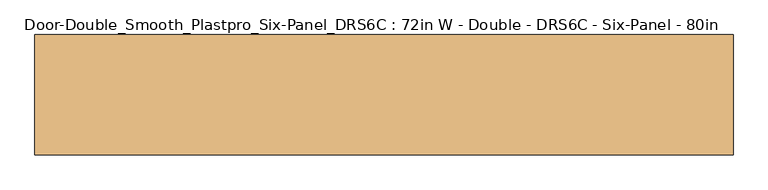
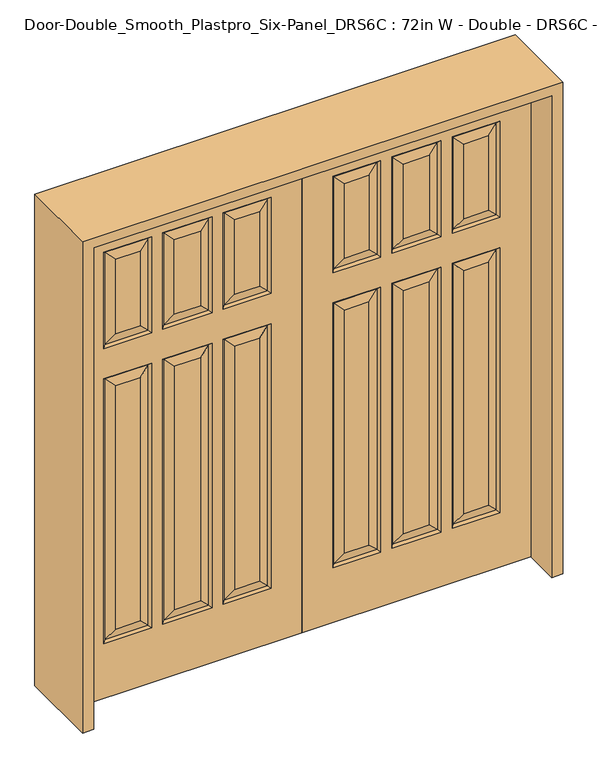
"""IFC4 building model written with IfcOpenShell, lengths in millimetres: door geometry, Door-Double_Smooth_Plastpro_Six-Panel_DRS6C : 72in W - Double - DRS6C - Six-Panel - 80in."""

from ifc_helpers import new_model, si_unit, frame, origin, place, context, project, spatial, polyline, outline, extrude, faceted_brep, source, transform, mapped, element, save


def door_double_smooth_plastpro_six_panel_drs6c_72in_w_double_656393d3(model_context):
    return source(origin(), model_context, "Body", "SolidModel", [
        faceted_brep([(305.3447439, 11.6572439, 1338.7080251), (305.3447439, 11.6572439, 239.0685374), (268.2875, 20.6375, 276.1257812), (268.2875, 20.6375, 1301.6507812), (790.575, 20.6375, 230.0882812), (600.075, 20.6375, 230.0882812), (609.0552561, 11.6572439, 239.0685374), (781.5947439, 11.6572439, 239.0685374), (609.0552561, 11.6572439, 1338.7080251), (600.075, 20.6375, 1347.6882812), (555.625, 20.6375, 230.0882812), (358.775, 20.6375, 230.0882812), (367.7552561, 11.6572439, 239.0685374), (546.6447439, 11.6572439, 239.0685374), (367.7552561, 11.6572439, 1338.7080251), (358.775, 20.6375, 1347.6882812), (404.8125, 20.6375, 276.1257812), (509.5875, 20.6375, 276.1257812), (546.6447439, 11.6572439, 1338.7080251), (509.5875, 20.6375, 1301.6507812), (790.575, -20.6375, 230.0882812), (790.575, -20.6375, 1347.6882812), (781.5947439, -11.6572439, 1338.7080251), (781.5947439, -11.6572439, 239.0685374), (609.0552561, -11.6572439, 239.0685374), (609.0552561, -11.6572439, 1338.7080251), (600.075, -20.6375, 1347.6882812), (600.075, -20.6375, 230.0882812), (132.8052561, -11.6572439, 239.0685374), (123.825, -20.6375, 230.0882812), (314.325, -20.6375, 230.0882812), (305.3447439, -11.6572439, 239.0685374), (268.2875, -20.6375, 276.1257812), (169.8625, -20.6375, 276.1257812), (305.3447439, -11.6572439, 1338.7080251), (268.2875, -20.6375, 1301.6507812), (546.6447439, -11.6572439, 239.0685374), (546.6447439, -11.6572439, 1338.7080251), (509.5875, -20.6375, 1301.6507812), (509.5875, -20.6375, 276.1257812), (546.6447439, 11.6572439, 1872.1080251), (509.5875, 20.6375, 1835.0507812), (404.8125, 20.6375, 1835.0507813), (367.7552561, 11.6572439, 1872.1080251), (555.625, 20.6375, 1474.6882812), (358.775, 20.6375, 1474.6882812), (367.7552561, 11.6572439, 1483.6685374), (546.6447439, 11.6572439, 1483.6685374), (555.625, 20.6375, 1347.6882812), (0.0, 20.6375, 0.0), (914.4, 20.6375, 0.0), (914.4, -20.6375, 0.0), (0.0, -20.6375, 0.0), (0.0, 20.6375, 2032.0), (0.0, -20.6375, 2032.0), (914.4, -20.6375, 2032.0), (123.825, -20.6375, 1347.6882812), (314.325, -20.6375, 1347.6882812), (358.775, -20.6375, 230.0882812), (358.775, -20.6375, 1347.6882812), (555.625, -20.6375, 1347.6882812), (555.625, -20.6375, 230.0882812), (600.075, -20.6375, 1474.6882812), (600.075, -20.6375, 1881.0882812), (790.575, -20.6375, 1881.0882812), (790.575, -20.6375, 1474.6882812), (358.775, -20.6375, 1474.6882812), (358.775, -20.6375, 1881.0882812), (555.625, -20.6375, 1881.0882812), (555.625, -20.6375, 1474.6882812), (123.825, -20.6375, 1474.6882812), (123.825, -20.6375, 1881.0882812), (314.325, -20.6375, 1881.0882812), (314.325, -20.6375, 1474.6882812), (744.5375, -20.6375, 276.1257812), (744.5375, -20.6375, 1301.6507812), (646.1125, -20.6375, 1301.6507812), (646.1125, -20.6375, 276.1257812), (169.8625, -20.6375, 1301.6507812), (404.8125, -20.6375, 1301.6507812), (404.8125, -20.6375, 276.1257812), (268.2875, -20.6375, 1520.7257812), (268.2875, -20.6375, 1835.0507812), (169.8625, -20.6375, 1835.0507813), (169.8625, -20.6375, 1520.7257812), (744.5375, -20.6375, 1520.7257812), (744.5375, -20.6375, 1835.0507812), (646.1125, -20.6375, 1835.0507813), (646.1125, -20.6375, 1520.7257812), (509.5875, -20.6375, 1520.7257812), (509.5875, -20.6375, 1835.0507812), (404.8125, -20.6375, 1835.0507813), (404.8125, -20.6375, 1520.7257812), (914.4, 20.6375, 2032.0), (123.825, 20.6375, 1347.6882812), (123.825, 20.6375, 230.0882812), (314.325, 20.6375, 230.0882812), (314.325, 20.6375, 1347.6882812), (123.825, 20.6375, 1881.0882812), (123.825, 20.6375, 1474.6882812), (314.325, 20.6375, 1474.6882812), (314.325, 20.6375, 1881.0882812), (600.075, 20.6375, 1881.0882812), (600.075, 20.6375, 1474.6882812), (790.575, 20.6375, 1474.6882812), (790.575, 20.6375, 1881.0882812), (358.775, 20.6375, 1881.0882812), (555.625, 20.6375, 1881.0882812), (790.575, 20.6375, 1347.6882812), (169.8625, 20.6375, 276.1257812), (169.8625, 20.6375, 1301.6507812), (744.5375, 20.6375, 1301.6507812), (744.5375, 20.6375, 276.1257812), (646.1125, 20.6375, 276.1257812), (646.1125, 20.6375, 1301.6507812), (509.5875, 20.6375, 1520.7257812), (404.8125, 20.6375, 1520.7257812), (268.2875, 20.6375, 1835.0507812), (268.2875, 20.6375, 1520.7257812), (169.8625, 20.6375, 1520.7257812), (169.8625, 20.6375, 1835.0507813), (744.5375, 20.6375, 1835.0507812), (744.5375, 20.6375, 1520.7257812), (646.1125, 20.6375, 1520.7257812), (646.1125, 20.6375, 1835.0507813), (404.8125, 20.6375, 1301.6507812), (132.8052561, 11.6572439, 239.0685374), (132.8052561, 11.6572439, 1338.7080251), (781.5947439, 11.6572439, 1338.7080251), (132.8052561, -11.6572439, 1338.7080251), (367.7552561, -11.6572439, 239.0685374), (367.7552561, -11.6572439, 1338.7080251), (609.0552561, -11.6572439, 1483.6685374), (781.5947439, -11.6572439, 1483.6685374), (781.5947439, -11.6572439, 1872.1080251), (609.0552561, -11.6572439, 1872.1080251), (132.8052561, -11.6572439, 1483.6685374), (305.3447439, -11.6572439, 1483.6685374), (305.3447439, -11.6572439, 1872.1080251), (132.8052561, -11.6572439, 1872.1080251), (132.8052561, 11.6572439, 1872.1080251), (305.3447439, 11.6572439, 1872.1080251), (305.3447439, 11.6572439, 1483.6685374), (132.8052561, 11.6572439, 1483.6685374), (609.0552561, 11.6572439, 1872.1080251), (781.5947439, 11.6572439, 1872.1080251), (781.5947439, 11.6572439, 1483.6685374), (609.0552561, 11.6572439, 1483.6685374), (367.7552561, -11.6572439, 1483.6685374), (546.6447439, -11.6572439, 1483.6685374), (546.6447439, -11.6572439, 1872.1080251), (367.7552561, -11.6572439, 1872.1080251)], [[[0, 1, 2, 3]], [[4, 5, 6, 7]], [[8, 6, 5, 9]], [[10, 11, 12, 13]], [[14, 12, 11, 15]], [[13, 12, 16, 17]], [[18, 13, 17, 19]], [[20, 21, 22, 23]], [[24, 25, 26, 27]], [[28, 29, 30, 31]], [[31, 32, 33, 28]], [[31, 34, 35, 32]], [[36, 37, 38, 39]], [[40, 41, 42, 43]], [[44, 45, 46, 47]], [[14, 15, 48, 18]], [[49, 50, 51, 52]], [[53, 49, 52, 54]], [[54, 52, 51, 55], [29, 56, 57, 30], [58, 59, 60, 61], [27, 26, 21, 20], [62, 63, 64, 65], [66, 67, 68, 69], [70, 71, 72, 73]], [[74, 75, 76, 77]], [[32, 35, 78, 33]], [[39, 38, 79, 80]], [[81, 82, 83, 84]], [[85, 86, 87, 88]], [[89, 90, 91, 92]], [[55, 51, 50, 93]], [[93, 50, 49, 53], [15, 11, 10, 48], [94, 95, 96, 97], [98, 99, 100, 101], [102, 103, 104, 105], [106, 45, 44, 107], [9, 5, 4, 108]], [[3, 2, 109, 110]], [[111, 112, 113, 114]], [[41, 115, 116, 42]], [[117, 118, 119, 120]], [[121, 122, 123, 124]], [[19, 17, 16, 125]], [[97, 96, 1, 0]], [[96, 95, 126, 1]], [[127, 126, 95, 94]], [[110, 109, 126, 127]], [[1, 126, 109, 2]], [[108, 4, 7, 128]], [[114, 113, 6, 8]], [[7, 6, 113, 112]], [[128, 7, 112, 111]], [[48, 10, 13, 18]], [[125, 16, 12, 14]], [[24, 27, 20, 23]], [[23, 74, 77, 24]], [[77, 76, 25, 24]], [[23, 22, 75, 74]], [[30, 57, 34, 31]], [[28, 129, 56, 29]], [[33, 78, 129, 28]], [[130, 58, 61, 36]], [[61, 60, 37, 36]], [[130, 131, 59, 58]], [[36, 39, 80, 130]], [[80, 79, 131, 130]], [[53, 54, 55, 93]], [[132, 62, 65, 133]], [[133, 85, 88, 132]], [[65, 64, 134, 133]], [[133, 134, 86, 85]], [[64, 63, 135, 134]], [[134, 135, 87, 86]], [[132, 135, 63, 62]], [[88, 87, 135, 132]], [[136, 70, 73, 137]], [[137, 81, 84, 136]], [[73, 72, 138, 137]], [[137, 138, 82, 81]], [[72, 71, 139, 138]], [[138, 139, 83, 82]], [[136, 139, 71, 70]], [[84, 83, 139, 136]], [[21, 26, 25, 22]], [[22, 25, 76, 75]], [[57, 56, 129, 34]], [[34, 129, 78, 35]], [[140, 98, 101, 141]], [[141, 117, 120, 140]], [[101, 100, 142, 141]], [[141, 142, 118, 117]], [[100, 99, 143, 142]], [[142, 143, 119, 118]], [[140, 143, 99, 98]], [[120, 119, 143, 140]], [[144, 102, 105, 145]], [[145, 121, 124, 144]], [[105, 104, 146, 145]], [[145, 146, 122, 121]], [[104, 103, 147, 146]], [[146, 147, 123, 122]], [[144, 147, 103, 102]], [[124, 123, 147, 144]], [[127, 94, 97, 0]], [[0, 3, 110, 127]], [[8, 9, 108, 128]], [[128, 111, 114, 8]], [[148, 66, 69, 149]], [[149, 89, 92, 148]], [[69, 68, 150, 149]], [[149, 150, 90, 89]], [[68, 67, 151, 150]], [[150, 151, 91, 90]], [[148, 151, 67, 66]], [[92, 91, 151, 148]], [[60, 59, 131, 37]], [[37, 131, 79, 38]], [[43, 106, 107, 40]], [[107, 44, 47, 40]], [[40, 47, 115, 41]], [[47, 46, 116, 115]], [[43, 46, 45, 106]], [[42, 116, 46, 43]], [[18, 19, 125, 14]]]),
        faceted_brep([(-305.3447439, 11.6572439, 1338.7080251), (-268.2875, 20.6375, 1301.6507812), (-268.2875, 20.6375, 276.1257812), (-305.3447439, 11.6572439, 239.0685374), (-790.575, 20.6375, 230.0882812), (-781.5947439, 11.6572439, 239.0685374), (-609.0552561, 11.6572439, 239.0685374), (-600.075, 20.6375, 230.0882812), (-609.0552561, 11.6572439, 1338.7080251), (-600.075, 20.6375, 1347.6882812), (-555.625, 20.6375, 230.0882812), (-546.6447439, 11.6572439, 239.0685374), (-367.7552561, 11.6572439, 239.0685374), (-358.775, 20.6375, 230.0882812), (-367.7552561, 11.6572439, 1338.7080251), (-358.775, 20.6375, 1347.6882812), (-509.5875, 20.6375, 276.1257812), (-404.8125, 20.6375, 276.1257812), (-546.6447439, 11.6572439, 1338.7080251), (-509.5875, 20.6375, 1301.6507812), (-790.575, -20.6375, 230.0882812), (-781.5947439, -11.6572439, 239.0685374), (-781.5947439, -11.6572439, 1338.7080251), (-790.575, -20.6375, 1347.6882812), (-609.0552561, -11.6572439, 239.0685374), (-600.075, -20.6375, 230.0882812), (-600.075, -20.6375, 1347.6882812), (-609.0552561, -11.6572439, 1338.7080251), (-132.8052561, -11.6572439, 239.0685374), (-305.3447439, -11.6572439, 239.0685374), (-314.325, -20.6375, 230.0882812), (-123.825, -20.6375, 230.0882812), (-169.8625, -20.6375, 276.1257812), (-268.2875, -20.6375, 276.1257812), (-268.2875, -20.6375, 1301.6507812), (-305.3447439, -11.6572439, 1338.7080251), (-546.6447439, -11.6572439, 239.0685374), (-509.5875, -20.6375, 276.1257812), (-509.5875, -20.6375, 1301.6507812), (-546.6447439, -11.6572439, 1338.7080251), (-546.6447439, 11.6572439, 1872.1080251), (-367.7552561, 11.6572439, 1872.1080251), (-404.8125, 20.6375, 1835.0507812), (-509.5875, 20.6375, 1835.0507813), (-555.625, 20.6375, 1474.6882812), (-546.6447439, 11.6572439, 1483.6685374), (-367.7552561, 11.6572439, 1483.6685374), (-358.775, 20.6375, 1474.6882812), (-555.625, 20.6375, 1347.6882812), (0.0, 20.6375, 0.0), (0.0, -20.6375, 0.0), (-914.4, -20.6375, 0.0), (-914.4, 20.6375, 0.0), (0.0, 20.6375, 2032.0), (0.0, -20.6375, 2032.0), (-744.5375, -20.6375, 276.1257812), (-646.1125, -20.6375, 276.1257812), (-646.1125, -20.6375, 1301.6507812), (-744.5375, -20.6375, 1301.6507812), (-169.8625, -20.6375, 1301.6507812), (-404.8125, -20.6375, 276.1257812), (-404.8125, -20.6375, 1301.6507812), (-268.2875, -20.6375, 1520.7257812), (-169.8625, -20.6375, 1520.7257812), (-169.8625, -20.6375, 1835.0507813), (-268.2875, -20.6375, 1835.0507813), (-744.5375, -20.6375, 1520.7257812), (-646.1125, -20.6375, 1520.7257812), (-646.1125, -20.6375, 1835.0507813), (-744.5375, -20.6375, 1835.0507813), (-509.5875, -20.6375, 1520.7257812), (-404.8125, -20.6375, 1520.7257812), (-404.8125, -20.6375, 1835.0507812), (-509.5875, -20.6375, 1835.0507813), (-914.4, -20.6375, 2032.0), (-314.325, -20.6375, 1347.6882812), (-123.825, -20.6375, 1347.6882812), (-358.775, -20.6375, 230.0882812), (-555.625, -20.6375, 230.0882812), (-555.625, -20.6375, 1347.6882812), (-358.775, -20.6375, 1347.6882812), (-123.825, -20.6375, 1474.6882812), (-314.325, -20.6375, 1474.6882812), (-314.325, -20.6375, 1881.0882813), (-123.825, -20.6375, 1881.0882812), (-358.775, -20.6375, 1474.6882812), (-555.625, -20.6375, 1474.6882812), (-555.625, -20.6375, 1881.0882812), (-358.775, -20.6375, 1881.0882812), (-600.075, -20.6375, 1474.6882813), (-790.575, -20.6375, 1474.6882813), (-790.575, -20.6375, 1881.0882813), (-600.075, -20.6375, 1881.0882812), (-914.4, 20.6375, 2032.0), (-268.2875, 20.6375, 1835.0507813), (-169.8625, 20.6375, 1835.0507813), (-169.8625, 20.6375, 1520.7257812), (-268.2875, 20.6375, 1520.7257812), (-169.8625, 20.6375, 1301.6507812), (-169.8625, 20.6375, 276.1257812), (-744.5375, 20.6375, 1301.6507812), (-646.1125, 20.6375, 1301.6507812), (-646.1125, 20.6375, 276.1257812), (-744.5375, 20.6375, 276.1257812), (-744.5375, 20.6375, 1835.0507813), (-646.1125, 20.6375, 1835.0507813), (-646.1125, 20.6375, 1520.7257812), (-744.5375, 20.6375, 1520.7257812), (-404.8125, 20.6375, 1520.7257812), (-509.5875, 20.6375, 1520.7257812), (-404.8125, 20.6375, 1301.6507812), (-123.825, 20.6375, 1881.0882812), (-314.325, 20.6375, 1881.0882812), (-314.325, 20.6375, 1474.6882812), (-123.825, 20.6375, 1474.6882812), (-123.825, 20.6375, 1347.6882812), (-314.325, 20.6375, 1347.6882812), (-314.325, 20.6375, 230.0882812), (-123.825, 20.6375, 230.0882812), (-790.575, 20.6375, 1347.6882812), (-600.075, 20.6375, 1881.0882812), (-790.575, 20.6375, 1881.0882812), (-790.575, 20.6375, 1474.6882812), (-600.075, 20.6375, 1474.6882813), (-358.775, 20.6375, 1881.0882812), (-555.625, 20.6375, 1881.0882812), (-132.8052561, 11.6572439, 239.0685374), (-132.8052561, 11.6572439, 1338.7080251), (-781.5947439, 11.6572439, 1338.7080251), (-132.8052561, -11.6572439, 1338.7080251), (-367.7552561, -11.6572439, 239.0685374), (-367.7552561, -11.6572439, 1338.7080251), (-609.0552561, -11.6572439, 1483.6685374), (-781.5947439, -11.6572439, 1483.6685374), (-781.5947439, -11.6572439, 1872.1080251), (-609.0552561, -11.6572439, 1872.1080251), (-132.8052561, -11.6572439, 1483.6685374), (-305.3447439, -11.6572439, 1483.6685374), (-305.3447439, -11.6572439, 1872.1080251), (-132.8052561, -11.6572439, 1872.1080251), (-132.8052561, 11.6572439, 1872.1080251), (-305.3447439, 11.6572439, 1872.1080251), (-305.3447439, 11.6572439, 1483.6685374), (-132.8052561, 11.6572439, 1483.6685374), (-609.0552561, 11.6572439, 1872.1080251), (-781.5947439, 11.6572439, 1872.1080251), (-781.5947439, 11.6572439, 1483.6685374), (-609.0552561, 11.6572439, 1483.6685374), (-367.7552561, -11.6572439, 1483.6685374), (-546.6447439, -11.6572439, 1483.6685374), (-546.6447439, -11.6572439, 1872.1080251), (-367.7552561, -11.6572439, 1872.1080251)], [[[0, 1, 2, 3]], [[4, 5, 6, 7]], [[8, 9, 7, 6]], [[10, 11, 12, 13]], [[14, 15, 13, 12]], [[11, 16, 17, 12]], [[18, 19, 16, 11]], [[20, 21, 22, 23]], [[24, 25, 26, 27]], [[28, 29, 30, 31]], [[29, 28, 32, 33]], [[29, 33, 34, 35]], [[36, 37, 38, 39]], [[40, 41, 42, 43]], [[44, 45, 46, 47]], [[14, 18, 48, 15]], [[49, 50, 51, 52]], [[53, 54, 50, 49]], [[55, 56, 57, 58]], [[33, 32, 59, 34]], [[37, 60, 61, 38]], [[62, 63, 64, 65]], [[66, 67, 68, 69]], [[70, 71, 72, 73]], [[54, 74, 51, 50], [31, 30, 75, 76], [25, 20, 23, 26], [77, 78, 79, 80], [81, 82, 83, 84], [85, 86, 87, 88], [89, 90, 91, 92]], [[74, 93, 52, 51]], [[94, 95, 96, 97]], [[1, 98, 99, 2]], [[100, 101, 102, 103]], [[104, 105, 106, 107]], [[43, 42, 108, 109]], [[19, 110, 17, 16]], [[93, 53, 49, 52], [111, 112, 113, 114], [115, 116, 117, 118], [9, 119, 4, 7], [120, 121, 122, 123], [124, 125, 44, 47], [15, 48, 10, 13]], [[116, 0, 3, 117]], [[117, 3, 126, 118]], [[127, 115, 118, 126]], [[98, 127, 126, 99]], [[3, 2, 99, 126]], [[119, 128, 5, 4]], [[101, 8, 6, 102]], [[5, 103, 102, 6]], [[128, 100, 103, 5]], [[48, 18, 11, 10]], [[110, 14, 12, 17]], [[24, 21, 20, 25]], [[21, 24, 56, 55]], [[56, 24, 27, 57]], [[21, 55, 58, 22]], [[30, 29, 35, 75]], [[28, 31, 76, 129]], [[32, 28, 129, 59]], [[130, 36, 78, 77]], [[78, 36, 39, 79]], [[130, 77, 80, 131]], [[36, 130, 60, 37]], [[60, 130, 131, 61]], [[53, 93, 74, 54]], [[132, 133, 90, 89]], [[133, 132, 67, 66]], [[90, 133, 134, 91]], [[133, 66, 69, 134]], [[91, 134, 135, 92]], [[134, 69, 68, 135]], [[132, 89, 92, 135]], [[67, 132, 135, 68]], [[136, 137, 82, 81]], [[137, 136, 63, 62]], [[82, 137, 138, 83]], [[137, 62, 65, 138]], [[83, 138, 139, 84]], [[138, 65, 64, 139]], [[136, 81, 84, 139]], [[63, 136, 139, 64]], [[23, 22, 27, 26]], [[22, 58, 57, 27]], [[75, 35, 129, 76]], [[35, 34, 59, 129]], [[140, 141, 112, 111]], [[141, 140, 95, 94]], [[112, 141, 142, 113]], [[141, 94, 97, 142]], [[113, 142, 143, 114]], [[142, 97, 96, 143]], [[140, 111, 114, 143]], [[95, 140, 143, 96]], [[144, 145, 121, 120]], [[145, 144, 105, 104]], [[121, 145, 146, 122]], [[145, 104, 107, 146]], [[122, 146, 147, 123]], [[146, 107, 106, 147]], [[144, 120, 123, 147]], [[105, 144, 147, 106]], [[127, 0, 116, 115]], [[0, 127, 98, 1]], [[8, 128, 119, 9]], [[128, 8, 101, 100]], [[148, 149, 86, 85]], [[149, 148, 71, 70]], [[86, 149, 150, 87]], [[149, 70, 73, 150]], [[87, 150, 151, 88]], [[150, 73, 72, 151]], [[148, 85, 88, 151]], [[71, 148, 151, 72]], [[79, 39, 131, 80]], [[39, 38, 61, 131]], [[41, 40, 125, 124]], [[125, 40, 45, 44]], [[40, 43, 109, 45]], [[45, 109, 108, 46]], [[41, 124, 47, 46]], [[42, 41, 46, 108]], [[18, 14, 110, 19]]]),
        extrude(outline(polyline([(2073.275, -958.85), (0.0, -958.85), (0.0, -914.4), (2032.0, -914.4), (2032.0, 914.4), (0.0, 914.4), (0.0, 958.85), (2073.275, 958.85), (2073.275, -958.85)])), frame((0.0, -165.1, 0.0), z_axis=(0.0, 1.0, 0.0), x_axis=(0.0, 0.0, 1.0)), (0.0, 0.0, 1.0), 330.2),
    ])


if __name__ == "__main__":
    model = new_model("IFC4")
    model_context = context("Model", 3, world=origin())
    ifc_project = project(units=[si_unit("LENGTHUNIT", "METRE", prefix="MILLI")], contexts=[model_context])
    site = spatial("IfcSite", under=ifc_project)
    building = spatial("IfcBuilding", under=site)
    placement = place(None, origin())
    door_double_smooth_plastpro_six_panel_drs6c_72in_w_double_shape = door_double_smooth_plastpro_six_panel_drs6c_72in_w_double_656393d3(model_context)
    element("IfcDoor", 1, ObjectType="Door-Double_Smooth_Plastpro_Six-Panel_DRS6C : 72in W - Double - DRS6C - Six-Panel - 80in", at=placement, inside=building, context=model_context, shape_type="MappedRepresentation", body=[
        mapped(door_double_smooth_plastpro_six_panel_drs6c_72in_w_double_shape, transform((0.0, 0.0, 0.0), x_axis=(1.0, 0.0, 0.0), y_axis=(0.0, 1.0, 0.0), z_axis=(0.0, 0.0, 1.0))),
    ])
    save(model, "model.ifc")
